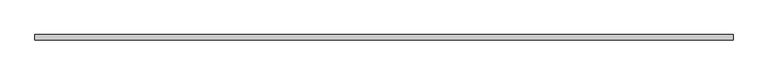
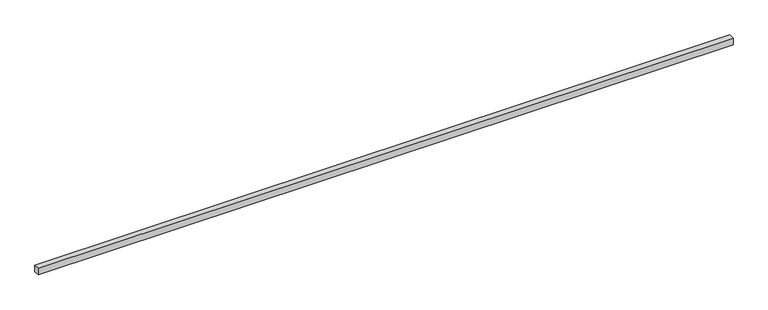
"""IFC4 building model written with IfcOpenShell, lengths in millimetres: proxy geometry."""

from ifc_helpers import new_model, si_unit, frame, origin, place, context, project, spatial, polyline, outline, extrude, source, transform, mapped, element, save


def generic_models_7c4b0fc9(model_context):
    return source(origin(), model_context, "Body", "SweptSolid", [
        extrude(outline(polyline([(40.0, 0.0), (-40.0, 0.0), (-40.0, 10033.845225), (40.0, 10033.845225), (40.0, 0.0)])), frame((10033.845225, 0.0, 0.0), z_axis=(0.0, -1.9783474858313244e-12, 1.0), x_axis=(0.0, 1.0, 1.9783474858313244e-12)), (0.0, 0.0, 1.0), 100.0),
    ])


if __name__ == "__main__":
    model = new_model("IFC4")
    model_context = context("Model", 3, world=origin())
    ifc_project = project(units=[si_unit("LENGTHUNIT", "METRE", prefix="MILLI")], contexts=[model_context])
    site = spatial("IfcSite", under=ifc_project)
    building = spatial("IfcBuilding", under=site)
    placement = place(None, origin())
    generic_models_shape = generic_models_7c4b0fc9(model_context)
    element("IfcBuildingElementProxy", 1, Name="Generic Models", at=placement, inside=building, context=model_context, shape_type="MappedRepresentation", body=[
        mapped(generic_models_shape, transform((0.0, 0.0, 0.0), x_axis=(1.0, 0.0, 0.0), y_axis=(0.0, 1.0, 0.0), z_axis=(0.0, 0.0, 1.0))),
    ])
    save(model, "model.ifc")
